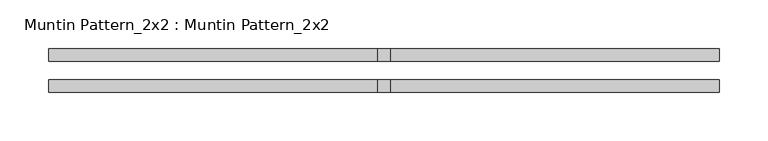
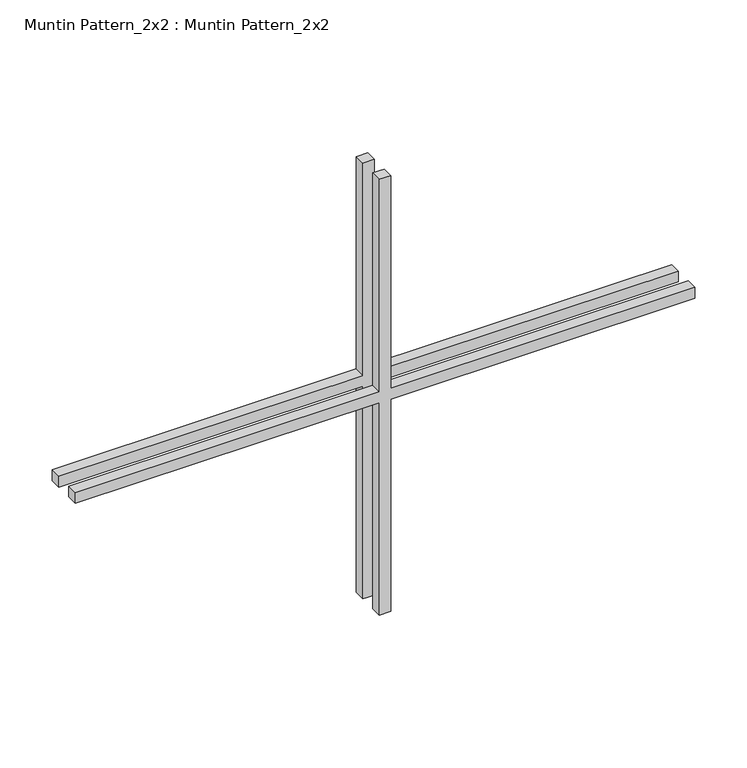
"""IFC4 building model written with IfcOpenShell, lengths in millimetres: proxy geometry, Muntin Pattern_2x2 : Muntin Pattern_2x2."""

import ifcopenshell
import ifcopenshell.guid

model = None  # the IFC model being written
_history = None  # IfcOwnerHistory: only IFC2X3 demands one
_inside = {}  # id of a spatial element -> (the spatial element, [elements in it])
_under = {}  # id of a project, library or spatial element -> (it, [spatial elements below it])
_declared = {}  # id of a project -> (the project, [libraries it declares])
_typed = {}  # id of a type object -> (the type object, [elements of that type])
_made_of = {}  # id of a material, layer set ... -> (it, [elements and type objects made of it])


def new_model(schema):
    """Start an empty IFC model of exactly this schema.

    Asked for "IFC4X3", IfcOpenShell would pick the latest addendum, in which some entities
    have other attributes; the version numbers below select the first issue.
    IFC2X3 requires an IfcOwnerHistory on every rooted entity: one is made here for all.
    """
    global model, _history
    if schema == "IFC4X3":
        model = ifcopenshell.file(schema_version=(4, 3, 0, 0))
    else:
        model = ifcopenshell.file(schema=schema)
    _inside.clear()
    _under.clear()
    _declared.clear()
    _typed.clear()
    _made_of.clear()
    _history = None
    if model.schema == "IFC2X3":
        org = make("IfcOrganization", Name="unknown")
        user = make(
            "IfcPersonAndOrganization",
            ThePerson=make("IfcPerson", FamilyName="unknown"),
            TheOrganization=org,
        )
        app = make(
            "IfcApplication",
            ApplicationDeveloper=org,
            Version="unknown",
            ApplicationFullName="unknown",
            ApplicationIdentifier="unknown",
        )
        _history = make(
            "IfcOwnerHistory",
            OwningUser=user,
            OwningApplication=app,
            ChangeAction="ADDED",
            CreationDate=0,
        )
    return model


def make(cls, **values):
    """One entity of the class cls with the attributes given. An attribute that is None is left unset."""
    return model.create_entity(
        cls, **{name: value for name, value in values.items() if value is not None}
    )


def rooted(cls, **values):
    """An entity with a GlobalId (a new one), such as an element, a storey or a relation."""
    return make(cls, GlobalId=ifcopenshell.guid.new(), OwnerHistory=_history, **values)


def si_unit(unit_type, name, prefix=None):
    """IfcSIUnit, for example si_unit("LENGTHUNIT", "METRE", prefix="MILLI")."""
    return make("IfcSIUnit", UnitType=unit_type, Prefix=prefix, Name=name)


def assignment(units):
    """IfcUnitAssignment: the units of a project."""
    return None if units is None else make("IfcUnitAssignment", Units=units)


def point(xyz):
    """IfcCartesianPoint."""
    return None if xyz is None else make("IfcCartesianPoint", Coordinates=xyz)


def direction(xyz):
    """IfcDirection."""
    return None if xyz is None else make("IfcDirection", DirectionRatios=xyz)


def frame(location, z_axis=None, x_axis=None):
    """IfcAxis2Placement3D, a coordinate frame: its origin and axes. An axis left out is left unset."""
    return make(
        "IfcAxis2Placement3D",
        Location=point(location),
        Axis=direction(z_axis),
        RefDirection=direction(x_axis),
    )


def origin():
    """The frame at (0, 0, 0) with its axes left unset."""
    return frame((0.0, 0.0, 0.0))


def place(relative_to, where):
    """IfcLocalPlacement: puts the frame where relative to a parent placement (None: the world)."""
    return make(
        "IfcLocalPlacement", PlacementRelTo=relative_to, RelativePlacement=where
    )


def context(
    kind, dimensions, precision=None, world=None, true_north=None, identifier=None
):
    """IfcGeometricRepresentationContext, for example the 3D "Model" context."""
    return make(
        "IfcGeometricRepresentationContext",
        ContextIdentifier=identifier,
        ContextType=kind,
        CoordinateSpaceDimension=dimensions,
        Precision=precision,
        WorldCoordinateSystem=world,
        TrueNorth=true_north,
    )


def project(units=None, contexts=None):
    """IfcProject with its units and contexts."""
    return rooted(
        "IfcProject",
        Name="project",
        RepresentationContexts=contexts,
        UnitsInContext=assignment(units),
    )


def spatial(cls, under=None, at=None, **own):
    """A site, building, storey or space (cls), placed at a placement, below another one or the project."""
    s = rooted(cls, ObjectPlacement=at, **own)
    if under is not None:
        _under.setdefault(under.id(), (under, []))[1].append(s)
    return s


def polyline(points):
    """IfcPolyline through the points."""
    return make("IfcPolyline", Points=[point(p) for p in points])


def outline(outer, holes=None, kind="AREA"):
    """IfcArbitraryClosedProfileDef: a profile drawn as a closed curve; with holes, ...WithVoids."""
    if holes is None:
        return make("IfcArbitraryClosedProfileDef", ProfileType=kind, OuterCurve=outer)
    return make(
        "IfcArbitraryProfileDefWithVoids",
        ProfileType=kind,
        OuterCurve=outer,
        InnerCurves=holes,
    )


def extrude(swept, where, along, depth):
    """IfcExtrudedAreaSolid: the profile swept, set in the frame where, extruded along a direction by depth."""
    return make(
        "IfcExtrudedAreaSolid",
        SweptArea=swept,
        Position=where,
        ExtrudedDirection=direction(along),
        Depth=depth,
    )


def shape(context_of_items, identifier, shape_type, items):
    """IfcShapeRepresentation: the items that make up one representation, for example the "Body"."""
    return make(
        "IfcShapeRepresentation",
        ContextOfItems=context_of_items,
        RepresentationIdentifier=identifier,
        RepresentationType=shape_type,
        Items=items,
    )


def source(mapping_origin, context_of_items, identifier, shape_type, items):
    """IfcRepresentationMap: a shape defined once, which mapped items show again and again."""
    return make(
        "IfcRepresentationMap",
        MappingOrigin=mapping_origin,
        MappedRepresentation=shape(context_of_items, identifier, shape_type, items),
    )


def transform(
    local_origin,
    x_axis=None,
    y_axis=None,
    z_axis=None,
    scale=None,
    scale2=None,
    scale3=None,
    uniform=True,
):
    """IfcCartesianTransformationOperator3D, or its non-uniform kind. x_axis, y_axis, z_axis: its Axis1, 2, 3."""
    if uniform:
        return make(
            "IfcCartesianTransformationOperator3D",
            Axis1=direction(x_axis),
            Axis2=direction(y_axis),
            LocalOrigin=point(local_origin),
            Scale=scale,
            Axis3=direction(z_axis),
        )
    return make(
        "IfcCartesianTransformationOperator3DnonUniform",
        Axis1=direction(x_axis),
        Axis2=direction(y_axis),
        LocalOrigin=point(local_origin),
        Scale=scale,
        Axis3=direction(z_axis),
        Scale2=scale2,
        Scale3=scale3,
    )


def mapped(mapping_source, mapping_target):
    """IfcMappedItem: shows the shape of a source again, moved by a transform."""
    return make(
        "IfcMappedItem", MappingSource=mapping_source, MappingTarget=mapping_target
    )


def made_of(thing, what):
    """Note that an element or type object is made of a material, layer set ...; save() writes the relation."""
    if what is not None:
        _made_of.setdefault(what.id(), (what, []))[1].append(thing)
    return thing


def element(
    cls,
    number,
    at=None,
    inside=None,
    cuts=None,
    type_object=None,
    material=None,
    context=None,
    identifier="Body",
    shape_type=None,
    held_by="IfcProductDefinitionShape",
    body=None,
    shapes=None,
    **own,
):
    """One element of the class cls, such as IfcWall. Its Tag is "e" and its number.

    at: its placement. inside: the storey or other place that contains it. cuts: it is an
    opening in that element (IfcRelVoidsElement). A single representation is given by context,
    identifier, shape_type and body (its items); several are given by shapes. held_by: the class
    of the entity that holds the representations. save() writes the other relations.
    """
    e = rooted(cls, Tag="e%d" % number, ObjectPlacement=at, **own)
    if body is not None:
        shapes = [shape(context, identifier, shape_type, body)]
    if shapes is not None:
        e.Representation = make(held_by, Representations=shapes)
    if inside is not None:
        _inside.setdefault(inside.id(), (inside, []))[1].append(e)
    if cuts is not None:
        rooted(
            "IfcRelVoidsElement", RelatingBuildingElement=cuts, RelatedOpeningElement=e
        )
    if type_object is not None:
        _typed.setdefault(type_object.id(), (type_object, []))[1].append(e)
    return made_of(e, material)


def aggregate(whole, parts):
    """IfcRelAggregates: a whole, such as a stair, and the parts it consists of."""
    return rooted("IfcRelAggregates", RelatingObject=whole, RelatedObjects=parts)


def save(model, path):
    """Write the relations noted so far, then the file.

    IfcRelAggregates (storeys below a building ...), IfcRelContainedInSpatialStructure (elements
    in a storey), IfcRelDefinesByType, IfcRelAssociatesMaterial and IfcRelDeclares: one each for
    every whole, place, type object, material and project.
    """
    for whole, parts in _under.values():
        aggregate(whole, parts)
    for where, things in _inside.values():
        rooted(
            "IfcRelContainedInSpatialStructure",
            RelatedElements=things,
            RelatingStructure=where,
        )
    for kind, things in _typed.values():
        rooted("IfcRelDefinesByType", RelatedObjects=things, RelatingType=kind)
    for what, things in _made_of.values():
        rooted("IfcRelAssociatesMaterial", RelatedObjects=things, RelatingMaterial=what)
    for by, libraries in _declared.values():
        rooted("IfcRelDeclares", RelatingContext=by, RelatedDefinitions=libraries)
    model.write(path)


def muntin_pattern_2x2_muntin_pattern_2x2_dbf3c0fa(model_context):
    return source(origin(), model_context, "Body", "SweptSolid", [
        extrude(outline(polyline([(261.9375, -6.35), (261.9375, -343.69375), (249.2375, -343.69375), (249.2375, -6.35), (0.0, -6.35), (0.0, 6.35), (249.2375, 6.35), (249.2375, 343.69375), (261.9375, 343.69375), (261.9375, 6.35), (511.175, 6.35), (511.175, -6.35), (261.9375, -6.35)])), frame((0.0, 9.525, 0.0), z_axis=(0.0, 1.0, 0.0), x_axis=(0.0, 0.0, 1.0)), (0.0, 0.0, 1.0), 12.7),
        extrude(outline(polyline([(261.9375, -6.35), (261.9375, -343.69375), (249.2375, -343.69375), (249.2375, -6.35), (0.0, -6.35), (0.0, 6.35), (249.2375, 6.35), (249.2375, 343.69375), (261.9375, 343.69375), (261.9375, 6.35), (511.175, 6.35), (511.175, -6.35), (261.9375, -6.35)])), frame((0.0, -22.225, 0.0), z_axis=(0.0, 1.0, 0.0), x_axis=(0.0, 0.0, 1.0)), (0.0, 0.0, 1.0), 12.7),
    ])


if __name__ == "__main__":
    model = new_model("IFC4")
    model_context = context("Model", 3, world=origin())
    ifc_project = project(units=[si_unit("LENGTHUNIT", "METRE", prefix="MILLI")], contexts=[model_context])
    site = spatial("IfcSite", under=ifc_project)
    building = spatial("IfcBuilding", under=site)
    placement = place(None, origin())
    muntin_pattern_2x2_muntin_pattern_2x2_shape = muntin_pattern_2x2_muntin_pattern_2x2_dbf3c0fa(model_context)
    element("IfcBuildingElementProxy", 1, Name="Muntin Pattern_2x2 : Muntin Pattern_2x2", ObjectType="Muntin Pattern_2x2 : Muntin Pattern_2x2", at=placement, inside=building, context=model_context, shape_type="MappedRepresentation", body=[
        mapped(muntin_pattern_2x2_muntin_pattern_2x2_shape, transform((0.0, 0.0, 0.0), x_axis=(1.0, 0.0, 0.0), y_axis=(0.0, 1.0, 0.0), z_axis=(0.0, 0.0, 1.0))),
    ])
    save(model, "model.ifc")
